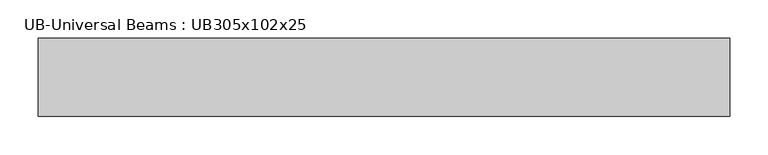
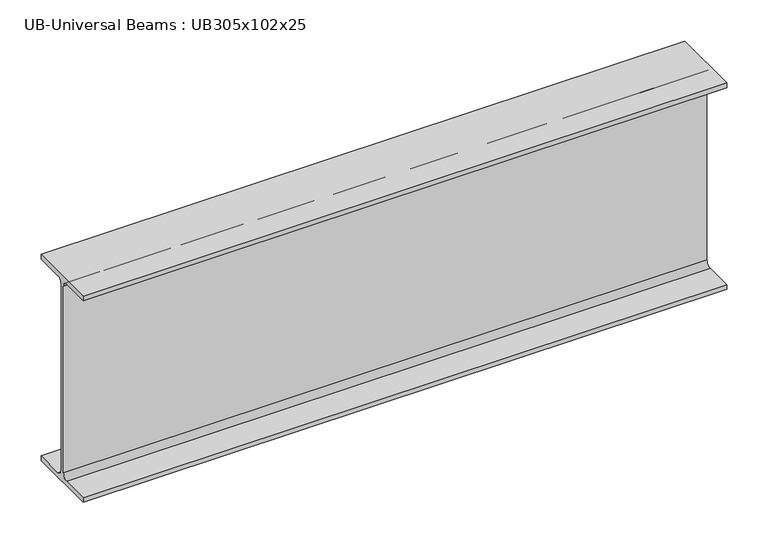
"""IFC4 building model written with IfcOpenShell, lengths in millimetres: beam geometry, UB-Universal Beams : UB305x102x25."""

from ifc_helpers import new_model, si_unit, point, frame, frame_2d, origin, place, context, project, spatial, polyline, circle_curve, trimmed, segment, composite_curve, outline, extrude, source, transform, mapped, element, save


def ub_universal_beams_ub305x102x25_9017e223(model_context):
    return source(origin(), model_context, "Body", "SweptSolid", [
        extrude(outline(composite_curve([segment(polyline([(50.8, -145.55), (50.8, -152.55), (-50.8, -152.55), (-50.8, -145.55), (-10.5, -145.55)]), True, "CONTINUOUS"), segment(trimmed(circle_curve(frame_2d((-10.5, -137.95)), 7.6), [point((-10.5, -145.55))], [point((-2.9, -137.95))], True, "CARTESIAN"), True, "CONTINUOUS"), segment(polyline([(-2.9, -137.95), (-2.9, 137.95)]), True, "CONTINUOUS"), segment(trimmed(circle_curve(frame_2d((-10.5, 137.95)), 7.6), [point((-2.9, 137.95))], [point((-10.5, 145.55))], True, "CARTESIAN"), True, "CONTINUOUS"), segment(polyline([(-10.5, 145.55), (-50.8, 145.55), (-50.8, 152.55), (50.8, 152.55), (50.8, 145.55), (10.5, 145.55)]), True, "CONTINUOUS"), segment(trimmed(circle_curve(frame_2d((10.5, 137.95)), 7.6), [point((10.5, 145.55))], [point((2.9, 137.95))], True, "CARTESIAN"), True, "CONTINUOUS"), segment(polyline([(2.9, 137.95), (2.9, -137.95)]), True, "CONTINUOUS"), segment(trimmed(circle_curve(frame_2d((10.5, -137.95)), 7.6), [point((2.9, -137.95))], [point((10.5, -145.55))], True, "CARTESIAN"), True, "CONTINUOUS"), segment(polyline([(10.5, -145.55), (50.8, -145.55)]), True, "CONTINUOUS")], self_intersect=False)), frame((-450.0, 0.0, 0.0), z_axis=(1.0, 0.0, 0.0), x_axis=(0.0, 1.0, 0.0)), (0.0, 0.0, 1.0), 900.0),
    ])


if __name__ == "__main__":
    model = new_model("IFC4")
    model_context = context("Model", 3, world=origin())
    ifc_project = project(units=[si_unit("LENGTHUNIT", "METRE", prefix="MILLI")], contexts=[model_context])
    site = spatial("IfcSite", under=ifc_project)
    building = spatial("IfcBuilding", under=site)
    placement = place(None, origin())
    ub_universal_beams_ub305x102x25_shape = ub_universal_beams_ub305x102x25_9017e223(model_context)
    element("IfcBeam", 1, ObjectType="UB-Universal Beams : UB305x102x25", at=placement, inside=building, context=model_context, shape_type="MappedRepresentation", body=[
        mapped(ub_universal_beams_ub305x102x25_shape, transform((0.0, 0.0, 0.0), x_axis=(1.0, 0.0, 0.0), y_axis=(0.0, 1.0, 0.0), z_axis=(0.0, 0.0, 1.0))),
    ])
    save(model, "model.ifc")
